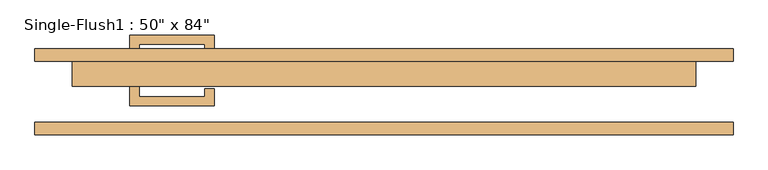
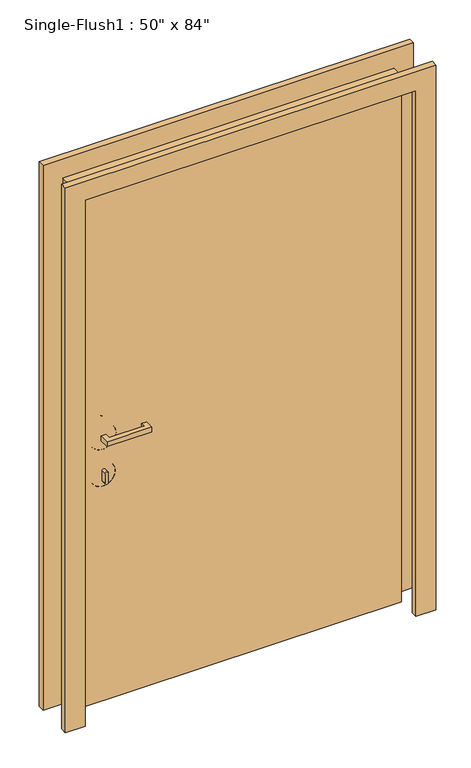
"""IFC4 building model written with IfcOpenShell, lengths in millimetres: door geometry."""

from ifc_helpers import new_model, si_unit, point, frame, frame_2d, origin, origin_with_axes, place, context, project, spatial, polyline, circle_curve, ellipse_curve, trimmed, segment, composite_curve, outline, extrude, source, transform, mapped, element, save
from ifc_brep_helpers import plane_surface, cylinder_surface, revolved_surface, advanced_brep


def door_1271c058(model_context):
    return source(origin(), model_context, "Body", "SolidModel", [
        extrude(outline(polyline([(-498.475, 12.7), (-498.475, -9.525), (-365.125, -9.525), (-365.125, 6.35), (-346.075, 6.35), (-346.075, -28.575), (-517.525, -28.575), (-517.525, 12.7), (-498.475, 12.7)])), frame((0.0, 0.0, 1057.275), z_axis=(0.0, 0.0, 1.0), x_axis=(1.0, 0.0, 0.0)), (0.0, 0.0, 1.0), 19.05),
        extrude(outline(composite_curve([segment(trimmed(circle_curve(frame_2d((895.35, -508.0)), 6.35), [point((895.35, -514.35))], [point((895.35, -501.65))], False, "CARTESIAN"), True, "CONTINUOUS"), segment(polyline([(895.35, -501.65), (933.45, -501.65)]), True, "CONTINUOUS"), segment(trimmed(circle_curve(frame_2d((933.45, -508.0)), 6.35), [point((933.45, -501.65))], [point((933.45, -514.35))], False, "CARTESIAN"), True, "CONTINUOUS"), segment(polyline([(933.45, -514.35), (895.35, -514.35)]), True, "CONTINUOUS")], self_intersect=False)), frame((0.0, -9.525, 0.0), z_axis=(0.0, 1.0, 0.0), x_axis=(0.0, 0.0, 1.0)), (0.0, 0.0, 1.0), 22.225),
        advanced_brep(
        [(-460.375, 15.875, 914.4), (-460.375, 25.4, 914.4), (-555.625, 25.4, 914.4), (-555.625, 15.875, 914.4), (-463.55, 12.7, 914.4), (-552.45, 12.7, 914.4), (-508.0, 12.7, 914.4), (-508.0, 25.4, 914.4)],
        [
            (0, 1),
            (1, 2, circle_curve(frame((-508.0, 25.4, 914.4), z_axis=(0.0, -1.0, 0.0), x_axis=(-1.0, 0.0, 0.0)), 47.625)),
            (2, 3),
            (3, 0, circle_curve(frame((-508.0, 15.875, 914.4), z_axis=(0.0, 1.0, 0.0), x_axis=(-1.0, 0.0, 0.0)), 47.625)),
            (2, 1, circle_curve(frame((-508.0, 25.4, 914.4), z_axis=(0.0, -1.0, 0.0), x_axis=(-1.0, 0.0, 0.0)), 47.625)),
            (0, 3, circle_curve(frame((-508.0, 15.875, 914.4), z_axis=(0.0, 1.0, 0.0), x_axis=(-1.0, 0.0, 0.0)), 47.625)),
            (4, 0, circle_curve(frame((-463.55, 15.875, 914.4), z_axis=(0.0, 0.0, 1.0), x_axis=(-1.0, 0.0, 0.0)), 3.175)),
            (3, 5, circle_curve(frame((-552.45, 15.875, 914.4), z_axis=(0.0, 0.0, 1.0), x_axis=(1.0, 0.0, 0.0)), 3.175)),
            (5, 4, circle_curve(frame((-508.0, 12.7, 914.4), z_axis=(0.0, 1.0, 0.0), x_axis=(-1.0, 0.0, 0.0)), 44.45)),
            (4, 5, circle_curve(frame((-508.0, 12.7, 914.4), z_axis=(0.0, 1.0, 0.0), x_axis=(-1.0, 0.0, 0.0)), 44.45)),
            (6, 4),
            (5, 6),
            (1, 7),
            (7, 2),
        ],
        [
            cylinder_surface(frame((-508.0, 152.4, 914.4), z_axis=(0.0, -1.0, 0.0), x_axis=(-1.0, 0.0, 0.0)), 47.625),
            revolved_surface(trimmed(ellipse_curve(frame((-552.45, 15.875, 914.4), z_axis=(0.0, 0.0, 1.0), x_axis=(1.0, 0.0, 0.0)), 3.175, 3.175), [point((-555.625, 15.875, 914.4))], [point((-552.45, 12.7, 914.4))], True, "CARTESIAN"), (-508.0, 152.4, 914.4), (0.0, -1.0, 0.0)),
            plane_surface(frame((-508.0, 12.7, 914.4), z_axis=(0.0, -1.0, 0.0), x_axis=(-1.0, 0.0, 0.0))),
            plane_surface(frame((-508.0, 25.4, 914.4), z_axis=(0.0, 1.0, 0.0), x_axis=(-1.0, 0.0, 0.0))),
        ],
        [
            (0, [[1, 2, 3, 4]]),
            (0, [[-3, 5, -1, 6]]),
            (1, [[7, -4, 8, 9]]),
            (1, [[-8, -6, -7, 10]]),
            (2, [[11, -9, 12]]),
            (2, [[-12, -10, -11]]),
            (3, [[13, 14, -2]]),
            (3, [[-14, -13, -5]]),
        ],
    ),
        advanced_brep(
        [(-457.2, 15.875, 1066.8), (-457.2, 25.4, 1066.8), (-558.8, 25.4, 1066.8), (-558.8, 15.875, 1066.8), (-460.375, 12.7, 1066.8), (-555.625, 12.7, 1066.8), (-508.0, 12.7, 1066.8), (-508.0, 25.4, 1066.8)],
        [
            (0, 1),
            (1, 2, circle_curve(frame((-508.0, 25.4, 1066.8), z_axis=(0.0, -1.0, 0.0), x_axis=(-1.0, 0.0, 0.0)), 50.8)),
            (2, 3),
            (3, 0, circle_curve(frame((-508.0, 15.875, 1066.8), z_axis=(0.0, 1.0, 0.0), x_axis=(-1.0, 0.0, 0.0)), 50.8)),
            (2, 1, circle_curve(frame((-508.0, 25.4, 1066.8), z_axis=(0.0, -1.0, 0.0), x_axis=(-1.0, 0.0, 0.0)), 50.8)),
            (0, 3, circle_curve(frame((-508.0, 15.875, 1066.8), z_axis=(0.0, 1.0, 0.0), x_axis=(-1.0, 0.0, 0.0)), 50.8)),
            (4, 0, circle_curve(frame((-460.375, 15.875, 1066.8), z_axis=(0.0, 0.0, 1.0), x_axis=(-1.0, 0.0, 0.0)), 3.175)),
            (3, 5, circle_curve(frame((-555.625, 15.875, 1066.8), z_axis=(0.0, 0.0, 1.0), x_axis=(1.0, 0.0, 0.0)), 3.175)),
            (5, 4, circle_curve(frame((-508.0, 12.7, 1066.8), z_axis=(0.0, 1.0, 0.0), x_axis=(-1.0, 0.0, 0.0)), 47.625)),
            (4, 5, circle_curve(frame((-508.0, 12.7, 1066.8), z_axis=(0.0, 1.0, 0.0), x_axis=(-1.0, 0.0, 0.0)), 47.625)),
            (6, 4),
            (5, 6),
            (1, 7),
            (7, 2),
        ],
        [
            cylinder_surface(frame((-508.0, 152.4, 1066.8), z_axis=(0.0, -1.0, 0.0), x_axis=(-1.0, 0.0, 0.0)), 50.8),
            revolved_surface(trimmed(ellipse_curve(frame((-555.625, 15.875, 1066.8), z_axis=(0.0, 0.0, 1.0), x_axis=(1.0, 0.0, 0.0)), 3.175, 3.175), [point((-558.8, 15.875, 1066.8))], [point((-555.625, 12.7, 1066.8))], True, "CARTESIAN"), (-508.0, 152.4, 1066.8), (0.0, -1.0, 0.0)),
            plane_surface(frame((-508.0, 12.7, 1066.8), z_axis=(0.0, -1.0, 0.0), x_axis=(-1.0, 0.0, 0.0))),
            plane_surface(frame((-508.0, 25.4, 1066.8), z_axis=(0.0, 1.0, 0.0), x_axis=(-1.0, 0.0, 0.0))),
        ],
        [
            (0, [[1, 2, 3, 4]]),
            (0, [[-3, 5, -1, 6]]),
            (1, [[7, -4, 8, 9]]),
            (1, [[-8, -6, -7, 10]]),
            (2, [[11, -9, 12]]),
            (2, [[-12, -10, -11]]),
            (3, [[13, 14, -2]]),
            (3, [[-14, -13, -5]]),
        ],
    ),
        extrude(outline(polyline([(-498.475, 74.6125), (-517.525, 74.6125), (-517.525, 115.8875), (-346.075, 115.8875), (-346.075, 80.9625), (-365.125, 80.9625), (-365.125, 96.8375), (-498.475, 96.8375), (-498.475, 74.6125)])), frame((0.0, 0.0, 1057.275), z_axis=(0.0, 0.0, 1.0), x_axis=(1.0, 0.0, 0.0)), (0.0, 0.0, 1.0), 19.05),
        extrude(outline(composite_curve([segment(trimmed(circle_curve(frame_2d((895.35, -508.0)), 6.35), [point((895.35, -514.35))], [point((895.35, -501.65))], False, "CARTESIAN"), True, "CONTINUOUS"), segment(polyline([(895.35, -501.65), (933.45, -501.65)]), True, "CONTINUOUS"), segment(trimmed(circle_curve(frame_2d((933.45, -508.0)), 6.35), [point((933.45, -501.65))], [point((933.45, -514.35))], False, "CARTESIAN"), True, "CONTINUOUS"), segment(polyline([(933.45, -514.35), (895.35, -514.35)]), True, "CONTINUOUS")], self_intersect=False)), frame((0.0, 74.6125, 0.0), z_axis=(0.0, 1.0, 0.0), x_axis=(0.0, 0.0, 1.0)), (0.0, 0.0, 1.0), 22.225),
        advanced_brep(
        [(-460.375, 71.4375, 914.4), (-555.625, 71.4375, 914.4), (-555.625, 61.9125, 914.4), (-460.375, 61.9125, 914.4), (-463.55, 74.6125, 914.4), (-552.45, 74.6125, 914.4), (-508.0, 74.6125, 914.4), (-508.0, 61.9125, 914.4)],
        [
            (0, 1, circle_curve(frame((-508.0, 71.4375, 914.4), z_axis=(0.0, -1.0, 0.0), x_axis=(-1.0, 0.0, 0.0)), 47.625)),
            (1, 2),
            (2, 3, circle_curve(frame((-508.0, 61.9125, 914.4), z_axis=(0.0, 1.0, 0.0), x_axis=(-1.0, 0.0, 0.0)), 47.625)),
            (3, 0),
            (1, 0, circle_curve(frame((-508.0, 71.4375, 914.4), z_axis=(0.0, -1.0, 0.0), x_axis=(-1.0, 0.0, 0.0)), 47.625)),
            (3, 2, circle_curve(frame((-508.0, 61.9125, 914.4), z_axis=(0.0, 1.0, 0.0), x_axis=(-1.0, 0.0, 0.0)), 47.625)),
            (4, 5, circle_curve(frame((-508.0, 74.6125, 914.4), z_axis=(0.0, -1.0, 0.0), x_axis=(-1.0, 0.0, 0.0)), 44.45)),
            (5, 1, circle_curve(frame((-552.45, 71.4375, 914.4), z_axis=(0.0, 0.0, 1.0), x_axis=(1.0, 0.0, 0.0)), 3.175)),
            (0, 4, circle_curve(frame((-463.55, 71.4375, 914.4), z_axis=(0.0, 0.0, 1.0), x_axis=(-1.0, 0.0, 0.0)), 3.175)),
            (5, 4, circle_curve(frame((-508.0, 74.6125, 914.4), z_axis=(0.0, -1.0, 0.0), x_axis=(-1.0, 0.0, 0.0)), 44.45)),
            (6, 5),
            (4, 6),
            (2, 7),
            (7, 3),
        ],
        [
            cylinder_surface(frame((-508.0, -65.0875, 914.4), z_axis=(0.0, 1.0, 0.0), x_axis=(-1.0, 0.0, 0.0)), 47.625),
            revolved_surface(trimmed(ellipse_curve(frame((-552.45, 71.4375, 914.4), z_axis=(0.0, 0.0, -1.0), x_axis=(1.0, 0.0, 0.0)), 3.175, 3.175), [point((-555.625, 71.4375, 914.4))], [point((-552.45, 74.6125, 914.4))], True, "CARTESIAN"), (-508.0, -65.0875, 914.4), (0.0, 1.0, 0.0)),
            plane_surface(frame((-508.0, 74.6125, 914.4), z_axis=(0.0, 1.0, 0.0), x_axis=(-1.0, 0.0, 0.0))),
            plane_surface(frame((-508.0, 61.9125, 914.4), z_axis=(0.0, -1.0, 0.0), x_axis=(-1.0, 0.0, 0.0))),
        ],
        [
            (0, [[1, 2, 3, 4]]),
            (0, [[5, -4, 6, -2]]),
            (1, [[7, 8, -1, 9]]),
            (1, [[10, -9, -5, -8]]),
            (2, [[11, -7, 12]]),
            (2, [[-12, -10, -11]]),
            (3, [[-3, 13, 14]]),
            (3, [[-6, -14, -13]]),
        ],
    ),
        advanced_brep(
        [(-457.2, 71.4375, 1066.8), (-558.8, 71.4375, 1066.8), (-558.8, 61.9125, 1066.8), (-457.2, 61.9125, 1066.8), (-460.375, 74.6125, 1066.8), (-555.625, 74.6125, 1066.8), (-508.0, 74.6125, 1066.8), (-508.0, 61.9125, 1066.8)],
        [
            (0, 1, circle_curve(frame((-508.0, 71.4375, 1066.8), z_axis=(0.0, -1.0, 0.0), x_axis=(-1.0, 0.0, 0.0)), 50.8)),
            (1, 2),
            (2, 3, circle_curve(frame((-508.0, 61.9125, 1066.8), z_axis=(0.0, 1.0, 0.0), x_axis=(-1.0, 0.0, 0.0)), 50.8)),
            (3, 0),
            (1, 0, circle_curve(frame((-508.0, 71.4375, 1066.8), z_axis=(0.0, -1.0, 0.0), x_axis=(-1.0, 0.0, 0.0)), 50.8)),
            (3, 2, circle_curve(frame((-508.0, 61.9125, 1066.8), z_axis=(0.0, 1.0, 0.0), x_axis=(-1.0, 0.0, 0.0)), 50.8)),
            (4, 5, circle_curve(frame((-508.0, 74.6125, 1066.8), z_axis=(0.0, -1.0, 0.0), x_axis=(-1.0, 0.0, 0.0)), 47.625)),
            (5, 1, circle_curve(frame((-555.625, 71.4375, 1066.8), z_axis=(0.0, 0.0, 1.0), x_axis=(1.0, 0.0, 0.0)), 3.175)),
            (0, 4, circle_curve(frame((-460.375, 71.4375, 1066.8), z_axis=(0.0, 0.0, 1.0), x_axis=(-1.0, 0.0, 0.0)), 3.175)),
            (5, 4, circle_curve(frame((-508.0, 74.6125, 1066.8), z_axis=(0.0, -1.0, 0.0), x_axis=(-1.0, 0.0, 0.0)), 47.625)),
            (6, 5),
            (4, 6),
            (2, 7),
            (7, 3),
        ],
        [
            cylinder_surface(frame((-508.0, -65.0875, 1066.8), z_axis=(0.0, 1.0, 0.0), x_axis=(-1.0, 0.0, 0.0)), 50.8),
            revolved_surface(trimmed(ellipse_curve(frame((-555.625, 71.4375, 1066.8), z_axis=(0.0, 0.0, -1.0), x_axis=(1.0, 0.0, 0.0)), 3.175, 3.175), [point((-558.8, 71.4375, 1066.8))], [point((-555.625, 74.6125, 1066.8))], True, "CARTESIAN"), (-508.0, -65.0875, 1066.8), (0.0, 1.0, 0.0)),
            plane_surface(frame((-508.0, 74.6125, 1066.8), z_axis=(0.0, 1.0, 0.0), x_axis=(-1.0, 0.0, 0.0))),
            plane_surface(frame((-508.0, 61.9125, 1066.8), z_axis=(0.0, -1.0, 0.0), x_axis=(-1.0, 0.0, 0.0))),
        ],
        [
            (0, [[1, 2, 3, 4]]),
            (0, [[5, -4, 6, -2]]),
            (1, [[7, 8, -1, 9]]),
            (1, [[10, -9, -5, -8]]),
            (2, [[11, -7, 12]]),
            (2, [[-12, -10, -11]]),
            (3, [[-3, 13, 14]]),
            (3, [[-6, -14, -13]]),
        ],
    ),
        extrude(outline(polyline([(2209.8, -711.2), (0.0, -711.2), (0.0, -635.0), (2133.6, -635.0), (2133.6, 635.0), (0.0, 635.0), (0.0, 711.2), (2209.8, 711.2), (2209.8, -711.2)])), frame((0.0, 61.9125, 0.0), z_axis=(0.0, 1.0, 0.0), x_axis=(0.0, 0.0, 1.0)), (0.0, 0.0, 1.0), 25.4),
        extrude(outline(polyline([(2209.8, 711.2), (2209.8, -711.2), (0.0, -711.2), (0.0, -635.0), (2133.6, -635.0), (2133.6, 635.0), (0.0, 635.0), (0.0, 711.2), (2209.8, 711.2)])), frame((0.0, -87.3125, 0.0), z_axis=(0.0, 1.0, 0.0), x_axis=(0.0, 0.0, 1.0)), (0.0, 0.0, 1.0), 25.4),
        extrude(outline(polyline([(635.0, 11.1125), (-635.0, 11.1125), (-635.0, 61.9125), (635.0, 61.9125), (635.0, 11.1125)])), origin_with_axes(), (0.0, 0.0, 1.0), 2133.6),
    ])


if __name__ == "__main__":
    model = new_model("IFC4")
    model_context = context("Model", 3, world=origin())
    ifc_project = project(units=[si_unit("LENGTHUNIT", "METRE", prefix="MILLI")], contexts=[model_context])
    site = spatial("IfcSite", under=ifc_project)
    building = spatial("IfcBuilding", under=site)
    placement = place(None, origin())
    door_shape = door_1271c058(model_context)
    element("IfcDoor", 1, ObjectType="Single-Flush1 : 50\" x 84\"", at=placement, inside=building, context=model_context, shape_type="MappedRepresentation", body=[
        mapped(door_shape, transform((0.0, 0.0, 0.0), x_axis=(1.0, 0.0, 0.0), y_axis=(0.0, 1.0, 0.0), z_axis=(0.0, 0.0, 1.0))),
    ])
    save(model, "model.ifc")
